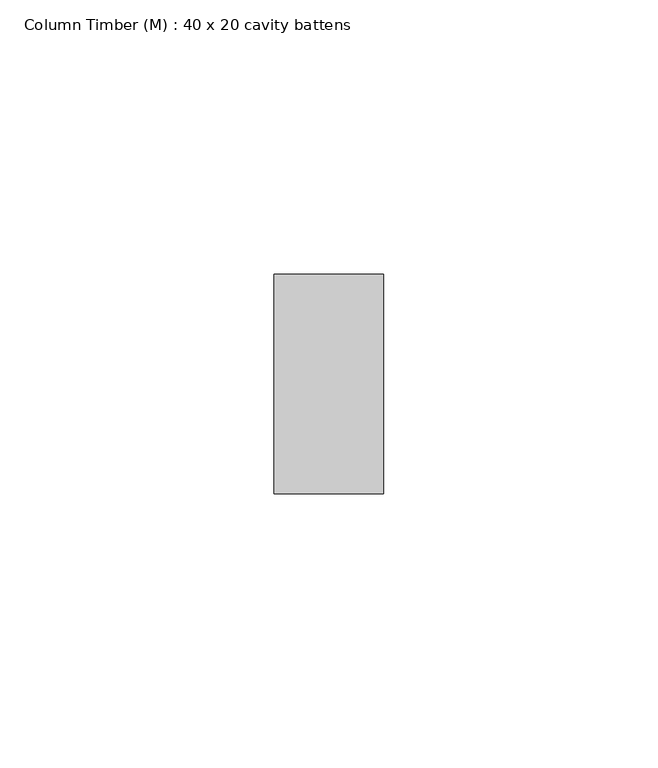
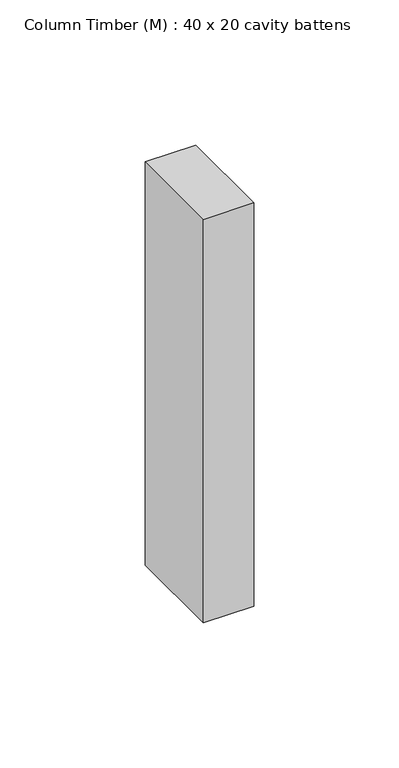
"""IFC4 building model written with IfcOpenShell, lengths in millimetres: column geometry, Column Timber (M) : 40 x 20 cavity battens."""

from ifc_helpers import new_model, si_unit, frame, origin, place, context, project, spatial, polyline, outline, extrude, source, transform, mapped, element, save


def column_timber_m_40_x_20_cavity_battens_545e6a24(model_context):
    return source(origin(), model_context, "Body", "SweptSolid", [
        extrude(outline(polyline([(10.0, 20.0), (10.0, -20.0), (-10.0, -20.0), (-10.0, 20.0), (10.0, 20.0)])), frame((0.0, 0.0, -169.5), z_axis=(0.0, 0.0, 1.0), x_axis=(1.0, 0.0, 0.0)), (0.0, 0.0, 1.0), 169.5),
    ])


if __name__ == "__main__":
    model = new_model("IFC4")
    model_context = context("Model", 3, world=origin())
    ifc_project = project(units=[si_unit("LENGTHUNIT", "METRE", prefix="MILLI")], contexts=[model_context])
    site = spatial("IfcSite", under=ifc_project)
    building = spatial("IfcBuilding", under=site)
    placement = place(None, origin())
    column_timber_m_40_x_20_cavity_battens_shape = column_timber_m_40_x_20_cavity_battens_545e6a24(model_context)
    element("IfcColumn", 1, ObjectType="Column Timber (M) : 40 x 20 cavity battens", at=placement, inside=building, context=model_context, shape_type="MappedRepresentation", body=[
        mapped(column_timber_m_40_x_20_cavity_battens_shape, transform((0.0, 0.0, 0.0), x_axis=(1.0, 0.0, 0.0), y_axis=(0.0, 1.0, 0.0), z_axis=(0.0, 0.0, 1.0))),
    ])
    save(model, "model.ifc")
